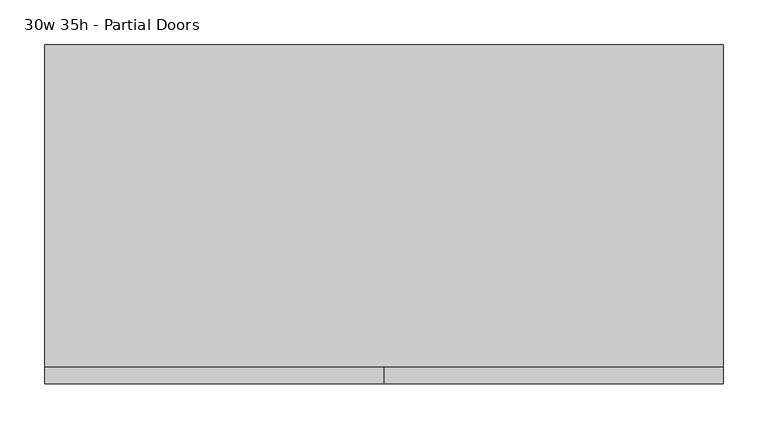
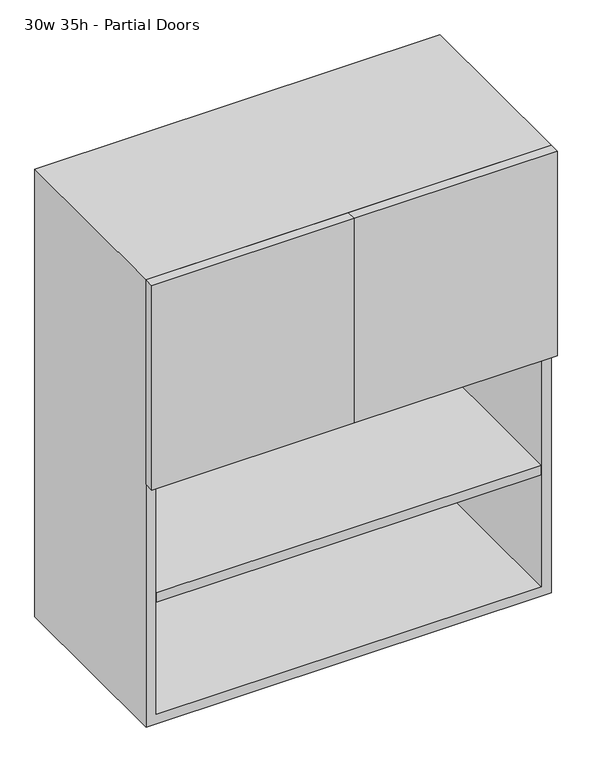
"""IFC4 building model written with IfcOpenShell, lengths in millimetres: furniture geometry, 30w 35h - Partial Doors."""

import ifcopenshell
import ifcopenshell.guid

model = None  # the IFC model being written
_history = None  # IfcOwnerHistory: only IFC2X3 demands one
_inside = {}  # id of a spatial element -> (the spatial element, [elements in it])
_under = {}  # id of a project, library or spatial element -> (it, [spatial elements below it])
_declared = {}  # id of a project -> (the project, [libraries it declares])
_typed = {}  # id of a type object -> (the type object, [elements of that type])
_made_of = {}  # id of a material, layer set ... -> (it, [elements and type objects made of it])


def new_model(schema):
    """Start an empty IFC model of exactly this schema.

    Asked for "IFC4X3", IfcOpenShell would pick the latest addendum, in which some entities
    have other attributes; the version numbers below select the first issue.
    IFC2X3 requires an IfcOwnerHistory on every rooted entity: one is made here for all.
    """
    global model, _history
    if schema == "IFC4X3":
        model = ifcopenshell.file(schema_version=(4, 3, 0, 0))
    else:
        model = ifcopenshell.file(schema=schema)
    _inside.clear()
    _under.clear()
    _declared.clear()
    _typed.clear()
    _made_of.clear()
    _history = None
    if model.schema == "IFC2X3":
        org = make("IfcOrganization", Name="unknown")
        user = make(
            "IfcPersonAndOrganization",
            ThePerson=make("IfcPerson", FamilyName="unknown"),
            TheOrganization=org,
        )
        app = make(
            "IfcApplication",
            ApplicationDeveloper=org,
            Version="unknown",
            ApplicationFullName="unknown",
            ApplicationIdentifier="unknown",
        )
        _history = make(
            "IfcOwnerHistory",
            OwningUser=user,
            OwningApplication=app,
            ChangeAction="ADDED",
            CreationDate=0,
        )
    return model


def make(cls, **values):
    """One entity of the class cls with the attributes given. An attribute that is None is left unset."""
    return model.create_entity(
        cls, **{name: value for name, value in values.items() if value is not None}
    )


def rooted(cls, **values):
    """An entity with a GlobalId (a new one), such as an element, a storey or a relation."""
    return make(cls, GlobalId=ifcopenshell.guid.new(), OwnerHistory=_history, **values)


def si_unit(unit_type, name, prefix=None):
    """IfcSIUnit, for example si_unit("LENGTHUNIT", "METRE", prefix="MILLI")."""
    return make("IfcSIUnit", UnitType=unit_type, Prefix=prefix, Name=name)


def assignment(units):
    """IfcUnitAssignment: the units of a project."""
    return None if units is None else make("IfcUnitAssignment", Units=units)


def point(xyz):
    """IfcCartesianPoint."""
    return None if xyz is None else make("IfcCartesianPoint", Coordinates=xyz)


def direction(xyz):
    """IfcDirection."""
    return None if xyz is None else make("IfcDirection", DirectionRatios=xyz)


def frame(location, z_axis=None, x_axis=None):
    """IfcAxis2Placement3D, a coordinate frame: its origin and axes. An axis left out is left unset."""
    return make(
        "IfcAxis2Placement3D",
        Location=point(location),
        Axis=direction(z_axis),
        RefDirection=direction(x_axis),
    )


def origin():
    """The frame at (0, 0, 0) with its axes left unset."""
    return frame((0.0, 0.0, 0.0))


def place(relative_to, where):
    """IfcLocalPlacement: puts the frame where relative to a parent placement (None: the world)."""
    return make(
        "IfcLocalPlacement", PlacementRelTo=relative_to, RelativePlacement=where
    )


def context(
    kind, dimensions, precision=None, world=None, true_north=None, identifier=None
):
    """IfcGeometricRepresentationContext, for example the 3D "Model" context."""
    return make(
        "IfcGeometricRepresentationContext",
        ContextIdentifier=identifier,
        ContextType=kind,
        CoordinateSpaceDimension=dimensions,
        Precision=precision,
        WorldCoordinateSystem=world,
        TrueNorth=true_north,
    )


def project(units=None, contexts=None):
    """IfcProject with its units and contexts."""
    return rooted(
        "IfcProject",
        Name="project",
        RepresentationContexts=contexts,
        UnitsInContext=assignment(units),
    )


def spatial(cls, under=None, at=None, **own):
    """A site, building, storey or space (cls), placed at a placement, below another one or the project."""
    s = rooted(cls, ObjectPlacement=at, **own)
    if under is not None:
        _under.setdefault(under.id(), (under, []))[1].append(s)
    return s


def polyline(points):
    """IfcPolyline through the points."""
    return make("IfcPolyline", Points=[point(p) for p in points])


def outline(outer, holes=None, kind="AREA"):
    """IfcArbitraryClosedProfileDef: a profile drawn as a closed curve; with holes, ...WithVoids."""
    if holes is None:
        return make("IfcArbitraryClosedProfileDef", ProfileType=kind, OuterCurve=outer)
    return make(
        "IfcArbitraryProfileDefWithVoids",
        ProfileType=kind,
        OuterCurve=outer,
        InnerCurves=holes,
    )


def extrude(swept, where, along, depth):
    """IfcExtrudedAreaSolid: the profile swept, set in the frame where, extruded along a direction by depth."""
    return make(
        "IfcExtrudedAreaSolid",
        SweptArea=swept,
        Position=where,
        ExtrudedDirection=direction(along),
        Depth=depth,
    )


def shape(context_of_items, identifier, shape_type, items):
    """IfcShapeRepresentation: the items that make up one representation, for example the "Body"."""
    return make(
        "IfcShapeRepresentation",
        ContextOfItems=context_of_items,
        RepresentationIdentifier=identifier,
        RepresentationType=shape_type,
        Items=items,
    )


def source(mapping_origin, context_of_items, identifier, shape_type, items):
    """IfcRepresentationMap: a shape defined once, which mapped items show again and again."""
    return make(
        "IfcRepresentationMap",
        MappingOrigin=mapping_origin,
        MappedRepresentation=shape(context_of_items, identifier, shape_type, items),
    )


def transform(
    local_origin,
    x_axis=None,
    y_axis=None,
    z_axis=None,
    scale=None,
    scale2=None,
    scale3=None,
    uniform=True,
):
    """IfcCartesianTransformationOperator3D, or its non-uniform kind. x_axis, y_axis, z_axis: its Axis1, 2, 3."""
    if uniform:
        return make(
            "IfcCartesianTransformationOperator3D",
            Axis1=direction(x_axis),
            Axis2=direction(y_axis),
            LocalOrigin=point(local_origin),
            Scale=scale,
            Axis3=direction(z_axis),
        )
    return make(
        "IfcCartesianTransformationOperator3DnonUniform",
        Axis1=direction(x_axis),
        Axis2=direction(y_axis),
        LocalOrigin=point(local_origin),
        Scale=scale,
        Axis3=direction(z_axis),
        Scale2=scale2,
        Scale3=scale3,
    )


def mapped(mapping_source, mapping_target):
    """IfcMappedItem: shows the shape of a source again, moved by a transform."""
    return make(
        "IfcMappedItem", MappingSource=mapping_source, MappingTarget=mapping_target
    )


def made_of(thing, what):
    """Note that an element or type object is made of a material, layer set ...; save() writes the relation."""
    if what is not None:
        _made_of.setdefault(what.id(), (what, []))[1].append(thing)
    return thing


def element(
    cls,
    number,
    at=None,
    inside=None,
    cuts=None,
    type_object=None,
    material=None,
    context=None,
    identifier="Body",
    shape_type=None,
    held_by="IfcProductDefinitionShape",
    body=None,
    shapes=None,
    **own,
):
    """One element of the class cls, such as IfcWall. Its Tag is "e" and its number.

    at: its placement. inside: the storey or other place that contains it. cuts: it is an
    opening in that element (IfcRelVoidsElement). A single representation is given by context,
    identifier, shape_type and body (its items); several are given by shapes. held_by: the class
    of the entity that holds the representations. save() writes the other relations.
    """
    e = rooted(cls, Tag="e%d" % number, ObjectPlacement=at, **own)
    if body is not None:
        shapes = [shape(context, identifier, shape_type, body)]
    if shapes is not None:
        e.Representation = make(held_by, Representations=shapes)
    if inside is not None:
        _inside.setdefault(inside.id(), (inside, []))[1].append(e)
    if cuts is not None:
        rooted(
            "IfcRelVoidsElement", RelatingBuildingElement=cuts, RelatedOpeningElement=e
        )
    if type_object is not None:
        _typed.setdefault(type_object.id(), (type_object, []))[1].append(e)
    return made_of(e, material)


def aggregate(whole, parts):
    """IfcRelAggregates: a whole, such as a stair, and the parts it consists of."""
    return rooted("IfcRelAggregates", RelatingObject=whole, RelatedObjects=parts)


def save(model, path):
    """Write the relations noted so far, then the file.

    IfcRelAggregates (storeys below a building ...), IfcRelContainedInSpatialStructure (elements
    in a storey), IfcRelDefinesByType, IfcRelAssociatesMaterial and IfcRelDeclares: one each for
    every whole, place, type object, material and project.
    """
    for whole, parts in _under.values():
        aggregate(whole, parts)
    for where, things in _inside.values():
        rooted(
            "IfcRelContainedInSpatialStructure",
            RelatedElements=things,
            RelatingStructure=where,
        )
    for kind, things in _typed.values():
        rooted("IfcRelDefinesByType", RelatedObjects=things, RelatingType=kind)
    for what, things in _made_of.values():
        rooted("IfcRelAssociatesMaterial", RelatedObjects=things, RelatingMaterial=what)
    for by, libraries in _declared.values():
        rooted("IfcRelDeclares", RelatingContext=by, RelatedDefinitions=libraries)
    model.write(path)


def furniture_30w_35h_partial_doors_a9bc677e(model_context):
    return source(origin(), model_context, "Body", "SweptSolid", [
        extrude(outline(polyline([(361.9569453, 161.925), (361.9569453, -180.975), (-361.9291641, -180.975), (-361.9291641, 161.925), (361.9569453, 161.925)])), frame((0.0, 0.0, 1219.2), z_axis=(0.0, 0.0, 1.0), x_axis=(1.0, 0.0, 0.0)), (0.0, 0.0, 1.0), 19.05),
        extrude(outline(polyline([(361.9569453, 161.925), (361.9569453, -180.975), (-361.9291641, -180.975), (-361.9291641, 161.925), (361.9569453, 161.925)])), frame((0.0, 0.0, 977.9), z_axis=(0.0, 0.0, 1.0), x_axis=(1.0, 0.0, 0.0)), (0.0, 0.0, 1.0), 19.05),
        extrude(outline(polyline([(0.0138906, -200.025), (0.0138906, -180.975), (381.0138906, -180.975), (381.0138906, -200.025), (0.0138906, -200.025)])), frame((0.0, 0.0, 1219.2), z_axis=(0.0, 0.0, 1.0), x_axis=(1.0, 0.0, 0.0)), (0.0, 0.0, 1.0), 406.4),
        extrude(outline(polyline([(0.0138906, -200.025), (-380.9861094, -200.025), (-380.9861094, -180.975), (0.0138906, -180.975), (0.0138906, -200.025)])), frame((0.0, 0.0, 1219.2), z_axis=(0.0, 0.0, 1.0), x_axis=(1.0, 0.0, 0.0)), (0.0, 0.0, 1.0), 406.4),
        extrude(outline(polyline([(736.6, -380.9861094), (736.6, 381.0138906), (1625.6, 381.0138906), (1625.6, -380.9861094), (736.6, -380.9861094)]), holes=[polyline([(755.65, -361.9361094), (1606.55, -361.9361094), (1606.55, 361.9569453), (755.65, 361.9569453), (755.65, -361.9361094)])]), frame((0.0, -180.975, 0.0), z_axis=(0.0, 1.0, 0.0), x_axis=(0.0, 0.0, 1.0)), (0.0, 0.0, 1.0), 361.95),
        extrude(outline(polyline([(-361.9291641, 161.925), (-361.9291641, 180.975), (361.9569453, 180.975), (361.9569453, 161.925), (-361.9291641, 161.925)])), frame((0.0, 0.0, 755.65), z_axis=(0.0, 0.0, 1.0), x_axis=(1.0, 0.0, 0.0)), (0.0, 0.0, 1.0), 850.9),
    ])


if __name__ == "__main__":
    model = new_model("IFC4")
    model_context = context("Model", 3, world=origin())
    ifc_project = project(units=[si_unit("LENGTHUNIT", "METRE", prefix="MILLI")], contexts=[model_context])
    site = spatial("IfcSite", under=ifc_project)
    building = spatial("IfcBuilding", under=site)
    placement = place(None, origin())
    furniture_30w_35h_partial_doors_shape = furniture_30w_35h_partial_doors_a9bc677e(model_context)
    element("IfcFurniture", 1, ObjectType="30w 35h - Partial Doors", at=placement, inside=building, context=model_context, shape_type="MappedRepresentation", body=[
        mapped(furniture_30w_35h_partial_doors_shape, transform((0.0, 0.0, 0.0), x_axis=(1.0, 0.0, 0.0), y_axis=(0.0, 1.0, 0.0), z_axis=(0.0, 0.0, 1.0))),
    ])
    save(model, "model.ifc")
